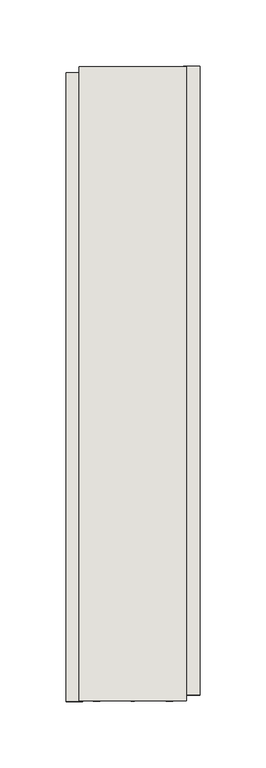
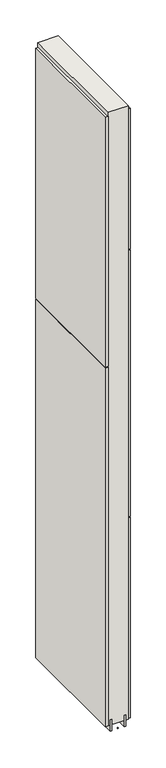
"""IFC4 building model written with IfcOpenShell, lengths in millimetres: wall geometry."""

from ifc_helpers import new_model, si_unit, frame, origin, place, context, project, spatial, polyline, outline, extrude, source, transform, mapped, element, save


def wall_523ff55a(model_context):
    return source(origin(), model_context, "Body", "SweptSolid", [
        extrude(outline(polyline([(51668.082211, -56261.6833616), (51668.082211, -56264.2233616), (51665.542211, -56264.2233616), (51665.542211, -56261.6833616), (51668.082211, -56261.6833616)])), frame((0.0, 0.0, 4419.6), z_axis=(0.0, 0.0, 1.0), x_axis=(1.0, 0.0, 0.0)), (0.0, 0.0, 1.0), 2.54),
        extrude(outline(polyline([(51616.012211, -56264.6902136), (51616.012211, -55788.7740204), (51628.712211, -55788.7740204), (51628.712211, -56264.6902136), (51616.012211, -56264.6902136)])), frame((0.0, 0.0, 5945.6000722), z_axis=(0.0, 0.0, 1.0), x_axis=(1.0, 0.0, 0.0)), (0.0, 0.0, 1.0), 1044.449905),
        extrude(outline(polyline([(51616.012211, -56264.6902136), (51616.012211, -55788.7740204), (51628.712211, -55788.7740204), (51628.712211, -56264.6902136), (51616.012211, -56264.6902136)])), frame((0.0, 0.0, 4445.0), z_axis=(0.0, 0.0, 1.0), x_axis=(1.0, 0.0, 0.0)), (0.0, 0.0, 1.0), 1496.600004),
        extrude(outline(polyline([(51717.612211, -55783.844109), (51717.612211, -56259.7603022), (51704.912211, -56259.7603022), (51704.912211, -55783.844109), (51717.612211, -55783.844109)])), frame((0.0, 0.0, 6402.8000722), z_axis=(0.0, 0.0, 1.0), x_axis=(1.0, 0.0, 0.0)), (0.0, 0.0, 1.0), 587.2498034),
        extrude(outline(polyline([(51717.612211, -55783.844109), (51717.612211, -56259.7603022), (51704.912211, -56259.7603022), (51704.912211, -55783.844109), (51717.612211, -55783.844109)])), frame((0.0, 0.0, 5285.2000722), z_axis=(0.0, 0.0, 1.0), x_axis=(1.0, 0.0, 0.0)), (0.0, 0.0, 1.0), 1113.5999572),
        extrude(outline(polyline([(51717.612211, -55783.844109), (51717.612211, -56259.7603022), (51704.912211, -56259.7603022), (51704.912211, -55783.844109), (51717.612211, -55783.844109)])), frame((0.0, 0.0, 4445.0), z_axis=(0.0, 0.0, 1.0), x_axis=(1.0, 0.0, 0.0)), (0.0, 0.0, 1.0), 836.200004),
        extrude(outline(polyline([(51641.7315652, -55784.315914), (51641.7315652, -56264.2246062), (51636.649711, -56264.2246062), (51636.649711, -55784.315914), (51641.7315652, -55784.315914)])), frame((0.0, 0.0, 4418.6602), z_axis=(0.0, 0.0, 1.0), x_axis=(1.0, 0.0, 0.0)), (0.0, 0.0, 1.0), 47.625),
        extrude(outline(polyline([(51641.7315652, -55784.315914), (51641.7315652, -56264.2246062), (51636.649711, -56264.2246062), (51636.649711, -55784.315914), (51641.7315652, -55784.315914)])), frame((0.0, 0.0, 4418.6602), z_axis=(0.0, 0.0, 1.0), x_axis=(1.0, 0.0, 0.0)), (0.0, 0.0, 1.0), 47.625),
        extrude(outline(polyline([(51691.8959556, -56264.2246062), (51691.8959556, -55784.315914), (51696.974711, -55784.315914), (51696.974711, -56264.2246062), (51691.8959556, -56264.2246062)])), frame((0.0, 0.0, 4418.6602), z_axis=(0.0, 0.0, 1.0), x_axis=(1.0, 0.0, 0.0)), (0.0, 0.0, 1.0), 47.625),
        extrude(outline(polyline([(51691.8959556, -56264.2246062), (51691.8959556, -55784.315914), (51696.974711, -55784.315914), (51696.974711, -56264.2246062), (51691.8959556, -56264.2246062)])), frame((0.0, 0.0, 4418.6602), z_axis=(0.0, 0.0, 1.0), x_axis=(1.0, 0.0, 0.0)), (0.0, 0.0, 1.0), 47.625),
        extrude(outline(polyline([(51626.1604254, -55784.2911236), (51707.4391808, -55784.2911236), (51707.4391808, -56264.2246062), (51626.1604254, -56264.2246062), (51626.1604254, -55784.2911236)])), frame((0.0, 0.0, 4445.0), z_axis=(0.0, 0.0, 1.0), x_axis=(1.0, 0.0, 0.0)), (0.0, 0.0, 1.0), 2562.4536762),
    ])


if __name__ == "__main__":
    model = new_model("IFC4")
    model_context = context("Model", 3, world=origin())
    ifc_project = project(units=[si_unit("LENGTHUNIT", "METRE", prefix="MILLI")], contexts=[model_context])
    site = spatial("IfcSite", under=ifc_project)
    building = spatial("IfcBuilding", under=site)
    placement = place(None, origin())
    wall_shape = wall_523ff55a(model_context)
    element("IfcWall", 1, at=placement, inside=building, context=model_context, shape_type="MappedRepresentation", body=[
        mapped(wall_shape, transform((0.0, 0.0, 0.0), x_axis=(1.0, 0.0, 0.0), y_axis=(0.0, 1.0, 0.0), z_axis=(0.0, 0.0, 1.0))),
    ])
    save(model, "model.ifc")
